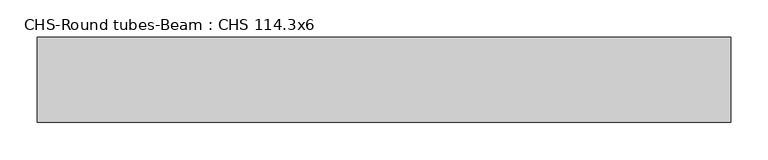
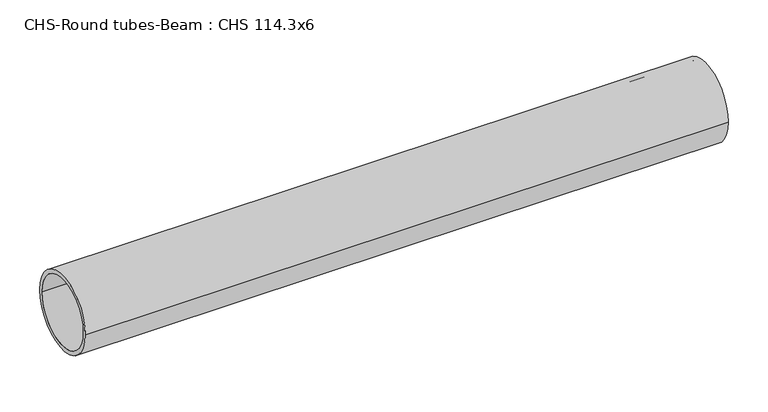
"""IFC4 building model written with IfcOpenShell, lengths in millimetres: beam geometry, CHS-Round tubes-Beam : CHS 114.3x6."""

import ifcopenshell
import ifcopenshell.guid

model = None  # the IFC model being written
_history = None  # IfcOwnerHistory: only IFC2X3 demands one
_inside = {}  # id of a spatial element -> (the spatial element, [elements in it])
_under = {}  # id of a project, library or spatial element -> (it, [spatial elements below it])
_declared = {}  # id of a project -> (the project, [libraries it declares])
_typed = {}  # id of a type object -> (the type object, [elements of that type])
_made_of = {}  # id of a material, layer set ... -> (it, [elements and type objects made of it])


def new_model(schema):
    """Start an empty IFC model of exactly this schema.

    Asked for "IFC4X3", IfcOpenShell would pick the latest addendum, in which some entities
    have other attributes; the version numbers below select the first issue.
    IFC2X3 requires an IfcOwnerHistory on every rooted entity: one is made here for all.
    """
    global model, _history
    if schema == "IFC4X3":
        model = ifcopenshell.file(schema_version=(4, 3, 0, 0))
    else:
        model = ifcopenshell.file(schema=schema)
    _inside.clear()
    _under.clear()
    _declared.clear()
    _typed.clear()
    _made_of.clear()
    _history = None
    if model.schema == "IFC2X3":
        org = make("IfcOrganization", Name="unknown")
        user = make(
            "IfcPersonAndOrganization",
            ThePerson=make("IfcPerson", FamilyName="unknown"),
            TheOrganization=org,
        )
        app = make(
            "IfcApplication",
            ApplicationDeveloper=org,
            Version="unknown",
            ApplicationFullName="unknown",
            ApplicationIdentifier="unknown",
        )
        _history = make(
            "IfcOwnerHistory",
            OwningUser=user,
            OwningApplication=app,
            ChangeAction="ADDED",
            CreationDate=0,
        )
    return model


def make(cls, **values):
    """One entity of the class cls with the attributes given. An attribute that is None is left unset."""
    return model.create_entity(
        cls, **{name: value for name, value in values.items() if value is not None}
    )


def rooted(cls, **values):
    """An entity with a GlobalId (a new one), such as an element, a storey or a relation."""
    return make(cls, GlobalId=ifcopenshell.guid.new(), OwnerHistory=_history, **values)


def si_unit(unit_type, name, prefix=None):
    """IfcSIUnit, for example si_unit("LENGTHUNIT", "METRE", prefix="MILLI")."""
    return make("IfcSIUnit", UnitType=unit_type, Prefix=prefix, Name=name)


def assignment(units):
    """IfcUnitAssignment: the units of a project."""
    return None if units is None else make("IfcUnitAssignment", Units=units)


def point(xyz):
    """IfcCartesianPoint."""
    return None if xyz is None else make("IfcCartesianPoint", Coordinates=xyz)


def direction(xyz):
    """IfcDirection."""
    return None if xyz is None else make("IfcDirection", DirectionRatios=xyz)


def frame(location, z_axis=None, x_axis=None):
    """IfcAxis2Placement3D, a coordinate frame: its origin and axes. An axis left out is left unset."""
    return make(
        "IfcAxis2Placement3D",
        Location=point(location),
        Axis=direction(z_axis),
        RefDirection=direction(x_axis),
    )


def frame_2d(location, x_axis=None):
    """IfcAxis2Placement2D, a coordinate frame in the plane: its origin and x axis."""
    return make(
        "IfcAxis2Placement2D", Location=point(location), RefDirection=direction(x_axis)
    )


def origin():
    """The frame at (0, 0, 0) with its axes left unset."""
    return frame((0.0, 0.0, 0.0))


def origin_2d():
    """The frame at (0, 0) in the plane with its x axis left unset."""
    return frame_2d((0.0, 0.0))


def place(relative_to, where):
    """IfcLocalPlacement: puts the frame where relative to a parent placement (None: the world)."""
    return make(
        "IfcLocalPlacement", PlacementRelTo=relative_to, RelativePlacement=where
    )


def context(
    kind, dimensions, precision=None, world=None, true_north=None, identifier=None
):
    """IfcGeometricRepresentationContext, for example the 3D "Model" context."""
    return make(
        "IfcGeometricRepresentationContext",
        ContextIdentifier=identifier,
        ContextType=kind,
        CoordinateSpaceDimension=dimensions,
        Precision=precision,
        WorldCoordinateSystem=world,
        TrueNorth=true_north,
    )


def project(units=None, contexts=None):
    """IfcProject with its units and contexts."""
    return rooted(
        "IfcProject",
        Name="project",
        RepresentationContexts=contexts,
        UnitsInContext=assignment(units),
    )


def spatial(cls, under=None, at=None, **own):
    """A site, building, storey or space (cls), placed at a placement, below another one or the project."""
    s = rooted(cls, ObjectPlacement=at, **own)
    if under is not None:
        _under.setdefault(under.id(), (under, []))[1].append(s)
    return s


def circle_curve(where, radius):
    """IfcCircle in the frame where."""
    return make("IfcCircle", Position=where, Radius=radius)


def trimmed(basis, trim1, trim2, sense, master):
    """IfcTrimmedCurve: the piece of a basis curve between two trims."""
    return make(
        "IfcTrimmedCurve",
        BasisCurve=basis,
        Trim1=trim1,
        Trim2=trim2,
        SenseAgreement=sense,
        MasterRepresentation=master,
    )


def segment(curve, same_sense, transition):
    """IfcCompositeCurveSegment."""
    return make(
        "IfcCompositeCurveSegment",
        Transition=transition,
        SameSense=same_sense,
        ParentCurve=curve,
    )


def composite_curve(segments, self_intersect=None):
    """IfcCompositeCurve: segments joined end to end."""
    return make("IfcCompositeCurve", Segments=segments, SelfIntersect=self_intersect)


def outline(outer, holes=None, kind="AREA"):
    """IfcArbitraryClosedProfileDef: a profile drawn as a closed curve; with holes, ...WithVoids."""
    if holes is None:
        return make("IfcArbitraryClosedProfileDef", ProfileType=kind, OuterCurve=outer)
    return make(
        "IfcArbitraryProfileDefWithVoids",
        ProfileType=kind,
        OuterCurve=outer,
        InnerCurves=holes,
    )


def extrude(swept, where, along, depth):
    """IfcExtrudedAreaSolid: the profile swept, set in the frame where, extruded along a direction by depth."""
    return make(
        "IfcExtrudedAreaSolid",
        SweptArea=swept,
        Position=where,
        ExtrudedDirection=direction(along),
        Depth=depth,
    )


def shape(context_of_items, identifier, shape_type, items):
    """IfcShapeRepresentation: the items that make up one representation, for example the "Body"."""
    return make(
        "IfcShapeRepresentation",
        ContextOfItems=context_of_items,
        RepresentationIdentifier=identifier,
        RepresentationType=shape_type,
        Items=items,
    )


def source(mapping_origin, context_of_items, identifier, shape_type, items):
    """IfcRepresentationMap: a shape defined once, which mapped items show again and again."""
    return make(
        "IfcRepresentationMap",
        MappingOrigin=mapping_origin,
        MappedRepresentation=shape(context_of_items, identifier, shape_type, items),
    )


def transform(
    local_origin,
    x_axis=None,
    y_axis=None,
    z_axis=None,
    scale=None,
    scale2=None,
    scale3=None,
    uniform=True,
):
    """IfcCartesianTransformationOperator3D, or its non-uniform kind. x_axis, y_axis, z_axis: its Axis1, 2, 3."""
    if uniform:
        return make(
            "IfcCartesianTransformationOperator3D",
            Axis1=direction(x_axis),
            Axis2=direction(y_axis),
            LocalOrigin=point(local_origin),
            Scale=scale,
            Axis3=direction(z_axis),
        )
    return make(
        "IfcCartesianTransformationOperator3DnonUniform",
        Axis1=direction(x_axis),
        Axis2=direction(y_axis),
        LocalOrigin=point(local_origin),
        Scale=scale,
        Axis3=direction(z_axis),
        Scale2=scale2,
        Scale3=scale3,
    )


def mapped(mapping_source, mapping_target):
    """IfcMappedItem: shows the shape of a source again, moved by a transform."""
    return make(
        "IfcMappedItem", MappingSource=mapping_source, MappingTarget=mapping_target
    )


def made_of(thing, what):
    """Note that an element or type object is made of a material, layer set ...; save() writes the relation."""
    if what is not None:
        _made_of.setdefault(what.id(), (what, []))[1].append(thing)
    return thing


def element(
    cls,
    number,
    at=None,
    inside=None,
    cuts=None,
    type_object=None,
    material=None,
    context=None,
    identifier="Body",
    shape_type=None,
    held_by="IfcProductDefinitionShape",
    body=None,
    shapes=None,
    **own,
):
    """One element of the class cls, such as IfcWall. Its Tag is "e" and its number.

    at: its placement. inside: the storey or other place that contains it. cuts: it is an
    opening in that element (IfcRelVoidsElement). A single representation is given by context,
    identifier, shape_type and body (its items); several are given by shapes. held_by: the class
    of the entity that holds the representations. save() writes the other relations.
    """
    e = rooted(cls, Tag="e%d" % number, ObjectPlacement=at, **own)
    if body is not None:
        shapes = [shape(context, identifier, shape_type, body)]
    if shapes is not None:
        e.Representation = make(held_by, Representations=shapes)
    if inside is not None:
        _inside.setdefault(inside.id(), (inside, []))[1].append(e)
    if cuts is not None:
        rooted(
            "IfcRelVoidsElement", RelatingBuildingElement=cuts, RelatedOpeningElement=e
        )
    if type_object is not None:
        _typed.setdefault(type_object.id(), (type_object, []))[1].append(e)
    return made_of(e, material)


def aggregate(whole, parts):
    """IfcRelAggregates: a whole, such as a stair, and the parts it consists of."""
    return rooted("IfcRelAggregates", RelatingObject=whole, RelatedObjects=parts)


def save(model, path):
    """Write the relations noted so far, then the file.

    IfcRelAggregates (storeys below a building ...), IfcRelContainedInSpatialStructure (elements
    in a storey), IfcRelDefinesByType, IfcRelAssociatesMaterial and IfcRelDeclares: one each for
    every whole, place, type object, material and project.
    """
    for whole, parts in _under.values():
        aggregate(whole, parts)
    for where, things in _inside.values():
        rooted(
            "IfcRelContainedInSpatialStructure",
            RelatedElements=things,
            RelatingStructure=where,
        )
    for kind, things in _typed.values():
        rooted("IfcRelDefinesByType", RelatedObjects=things, RelatingType=kind)
    for what, things in _made_of.values():
        rooted("IfcRelAssociatesMaterial", RelatedObjects=things, RelatingMaterial=what)
    for by, libraries in _declared.values():
        rooted("IfcRelDeclares", RelatingContext=by, RelatedDefinitions=libraries)
    model.write(path)


def chs_round_tubes_beam_chs_114_3x6_ee8cd2cc(model_context):
    return source(origin(), model_context, "Body", "SweptSolid", [
        extrude(outline(composite_curve([segment(trimmed(circle_curve(origin_2d(), 57.15), [point((57.15, 0.0))], [point((-57.15, 0.0))], False, "CARTESIAN"), True, "CONTINUOUS"), segment(trimmed(circle_curve(origin_2d(), 57.15), [point((-57.15, 0.0))], [point((57.15, 0.0))], False, "CARTESIAN"), True, "CONTINUOUS")], self_intersect=False), holes=[composite_curve([segment(trimmed(circle_curve(origin_2d(), 51.15), [point((51.15, 0.0))], [point((-51.15, 0.0))], True, "CARTESIAN"), True, "CONTINUOUS"), segment(trimmed(circle_curve(origin_2d(), 51.15), [point((-51.15, 0.0))], [point((51.15, 0.0))], True, "CARTESIAN"), True, "CONTINUOUS")], self_intersect=False)]), frame((-496.6358462, 0.0, 0.0), z_axis=(1.0, 0.0, 0.0), x_axis=(0.0, 1.0, 0.0)), (0.0, 0.0, 1.0), 931.7447262),
    ])


if __name__ == "__main__":
    model = new_model("IFC4")
    model_context = context("Model", 3, world=origin())
    ifc_project = project(units=[si_unit("LENGTHUNIT", "METRE", prefix="MILLI")], contexts=[model_context])
    site = spatial("IfcSite", under=ifc_project)
    building = spatial("IfcBuilding", under=site)
    placement = place(None, origin())
    chs_round_tubes_beam_chs_114_3x6_shape = chs_round_tubes_beam_chs_114_3x6_ee8cd2cc(model_context)
    element("IfcBeam", 1, ObjectType="CHS-Round tubes-Beam : CHS 114.3x6", at=placement, inside=building, context=model_context, shape_type="MappedRepresentation", body=[
        mapped(chs_round_tubes_beam_chs_114_3x6_shape, transform((0.0, 0.0, 0.0), x_axis=(1.0, 0.0, 0.0), y_axis=(0.0, 1.0, 0.0), z_axis=(0.0, 0.0, 1.0))),
    ])
    save(model, "model.ifc")
